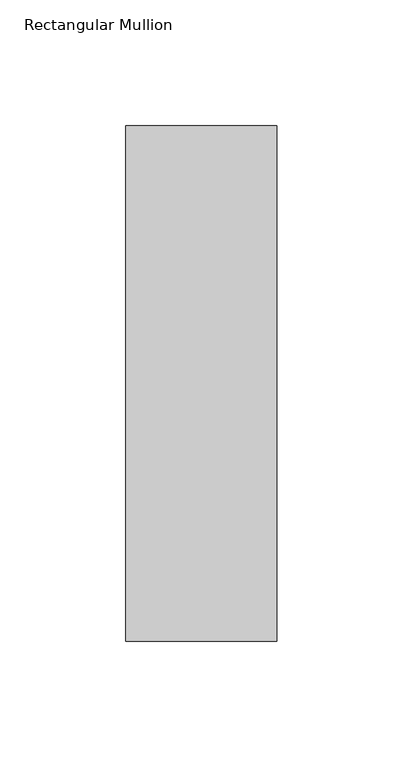
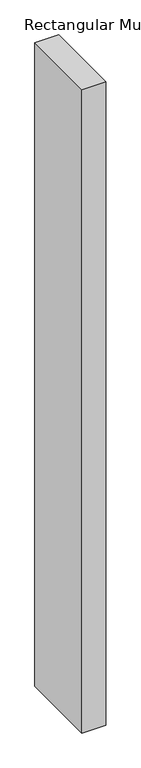
"""IFC4 building model written with IfcOpenShell, lengths in millimetres: member geometry, Rectangular Mullion."""

from ifc_helpers import new_model, si_unit, frame, origin, place, context, project, spatial, polyline, outline, extrude, source, transform, mapped, element, save


def rectangular_mullion_818f5676(model_context):
    return source(origin(), model_context, "Body", "SweptSolid", [
        extrude(outline(polyline([(30.0, 157.84375), (30.0, -46.84375), (-30.0, -46.84375), (-30.0, 157.84375), (30.0, 157.84375)])), frame((0.0, 0.0, -1708.8912252), z_axis=(0.0, 0.0, 1.0), x_axis=(1.0, 0.0, 0.0)), (0.0, 0.0, 1.0), 1708.8912252),
    ])


if __name__ == "__main__":
    model = new_model("IFC4")
    model_context = context("Model", 3, world=origin())
    ifc_project = project(units=[si_unit("LENGTHUNIT", "METRE", prefix="MILLI")], contexts=[model_context])
    site = spatial("IfcSite", under=ifc_project)
    building = spatial("IfcBuilding", under=site)
    placement = place(None, origin())
    rectangular_mullion_shape = rectangular_mullion_818f5676(model_context)
    element("IfcMember", 1, ObjectType="Rectangular Mullion", at=placement, inside=building, context=model_context, shape_type="MappedRepresentation", body=[
        mapped(rectangular_mullion_shape, transform((0.0, 0.0, 0.0), x_axis=(1.0, 0.0, 0.0), y_axis=(0.0, 1.0, 0.0), z_axis=(0.0, 0.0, 1.0))),
    ])
    save(model, "model.ifc")
